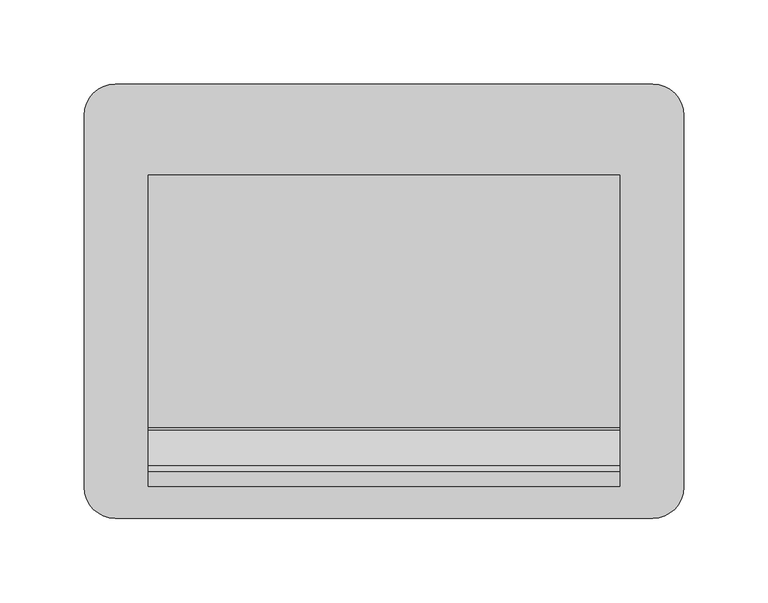
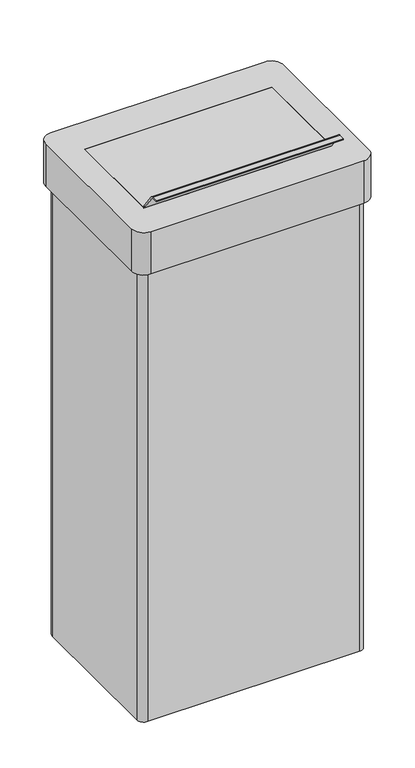
"""IFC4 building model written with IfcOpenShell, lengths in millimetres: furniture geometry."""

from ifc_helpers import new_model, si_unit, frame, origin, place, context, project, spatial, polyline, circle_curve, source, transform, mapped, element, save
from ifc_brep_helpers import plane_surface, cylinder_surface, revolved_surface, advanced_brep


def furniture_73cfb91b(model_context):
    return source(origin(), model_context, "Body", "AdvancedBrep", [
        advanced_brep(
        [(159.5, 129.0, 781.0), (-159.5, 129.0, 781.0), (-178.0, 110.5, 781.0), (-178.0, -110.5, 781.0), (-159.5, -129.0, 781.0), (159.5, -129.0, 781.0), (178.0, -110.5, 781.0), (178.0, 110.5, 781.0), (140.0, 75.0, 781.0), (140.0, -78.0583922, 781.0), (-140.0, -78.0583922, 781.0), (-140.0, 75.0, 781.0), (159.5, 110.5, 773.0), (159.5, -110.5, 773.0), (-159.5, -110.5, 773.0), (-159.5, 110.5, 773.0), (140.0, 75.0, 773.0), (-140.0, 75.0, 773.0), (-140.0, -78.0583922, 773.0), (140.0, -78.0583922, 773.0), (159.5, 129.0, 714.0), (178.0, 110.5, 714.0), (178.0, -110.5, 714.0), (159.5, -129.0, 714.0), (-159.5, -129.0, 714.0), (-178.0, -110.5, 714.0), (-178.0, 110.5, 714.0), (-159.5, 129.0, 714.0), (159.5, 110.5, 714.0), (-159.5, 110.5, 714.0), (-159.5, -110.5, 714.0), (159.5, -110.5, 714.0)],
        [
            (0, 1),
            (1, 2, circle_curve(frame((-159.5, 110.5, 781.0), z_axis=(0.0, 0.0, 1.0), x_axis=(1.0, 0.0, 0.0)), 18.5)),
            (2, 3),
            (3, 4, circle_curve(frame((-159.5, -110.5, 781.0), z_axis=(0.0, 0.0, 1.0), x_axis=(1.0, 0.0, 0.0)), 18.5)),
            (4, 5),
            (5, 6, circle_curve(frame((159.5, -110.5, 781.0), z_axis=(0.0, 0.0, 1.0), x_axis=(1.0, 0.0, 0.0)), 18.5)),
            (6, 7),
            (7, 0, circle_curve(frame((159.5, 110.5, 781.0), z_axis=(0.0, 0.0, 1.0), x_axis=(1.0, 0.0, 0.0)), 18.5)),
            (8, 9),
            (9, 10),
            (10, 11),
            (11, 8),
            (12, 13),
            (13, 14),
            (14, 15),
            (15, 12),
            (16, 17),
            (17, 18),
            (18, 19),
            (19, 16),
            (20, 21, circle_curve(frame((159.5, 110.5, 714.0), z_axis=(0.0, 0.0, -1.0), x_axis=(1.0, 0.0, 0.0)), 18.5)),
            (21, 22),
            (22, 23, circle_curve(frame((159.5, -110.5, 714.0), z_axis=(0.0, 0.0, -1.0), x_axis=(1.0, 0.0, 0.0)), 18.5)),
            (23, 24),
            (24, 25, circle_curve(frame((-159.5, -110.5, 714.0), z_axis=(0.0, 0.0, -1.0), x_axis=(1.0, 0.0, 0.0)), 18.5)),
            (25, 26),
            (26, 27, circle_curve(frame((-159.5, 110.5, 714.0), z_axis=(0.0, 0.0, -1.0), x_axis=(1.0, 0.0, 0.0)), 18.5)),
            (27, 20),
            (28, 29),
            (29, 30),
            (30, 31),
            (31, 28),
            (0, 20),
            (27, 1),
            (26, 2),
            (25, 3),
            (24, 4),
            (23, 5),
            (22, 6),
            (21, 7),
            (31, 13),
            (12, 28),
            (30, 14),
            (29, 15),
            (11, 17),
            (16, 8),
            (10, 18),
            (9, 19),
        ],
        [
            plane_surface(frame((-159.5, 110.5, 781.0), z_axis=(0.0, 0.0, 1.0), x_axis=(-1.0, 0.0, 0.0))),
            plane_surface(frame((-159.5, 110.5, 773.0), z_axis=(0.0, 0.0, -1.0), x_axis=(1.0, 0.0, 0.0))),
            plane_surface(frame((-159.5, 129.0, 714.0), z_axis=(0.0, 0.0, -1.0), x_axis=(1.0, 0.0, 0.0))),
            plane_surface(frame((159.5, 129.0, 781.0), z_axis=(0.0, 1.0, 0.0), x_axis=(0.0, 0.0, -1.0))),
            cylinder_surface(frame((-159.5, 110.5, 714.0), z_axis=(0.0, 0.0, 1.0), x_axis=(1.0, 0.0, 0.0)), 18.5),
            plane_surface(frame((-178.0, 110.5, 781.0), z_axis=(-1.0, 0.0, 0.0), x_axis=(0.0, 0.0, -1.0))),
            cylinder_surface(frame((-159.5, -110.5, 714.0), z_axis=(0.0, 0.0, 1.0), x_axis=(1.0, 0.0, 0.0)), 18.5),
            plane_surface(frame((-159.5, -129.0, 781.0), z_axis=(0.0, -1.0, 0.0), x_axis=(0.0, 0.0, -1.0))),
            cylinder_surface(frame((159.5, -110.5, 714.0), z_axis=(0.0, 0.0, 1.0), x_axis=(1.0, 0.0, 0.0)), 18.5),
            plane_surface(frame((178.0, -110.5, 781.0), z_axis=(1.0, 0.0, 0.0), x_axis=(0.0, 0.0, -1.0))),
            cylinder_surface(frame((159.5, 110.5, 714.0), z_axis=(0.0, 0.0, 1.0), x_axis=(1.0, 0.0, 0.0)), 18.5),
            plane_surface(frame((159.5, 110.5, 781.0), z_axis=(-1.0, 0.0, 0.0), x_axis=(0.0, 0.0, -1.0))),
            plane_surface(frame((159.5, -110.5, 781.0), z_axis=(0.0, 1.0, 0.0), x_axis=(0.0, 0.0, -1.0))),
            plane_surface(frame((-159.5, -110.5, 781.0), z_axis=(1.0, 0.0, 0.0), x_axis=(0.0, 0.0, -1.0))),
            plane_surface(frame((-159.5, 110.5, 781.0), z_axis=(0.0, -1.0, 0.0), x_axis=(0.0, 0.0, -1.0))),
            plane_surface(frame((-140.0, 75.0, 781.0), z_axis=(0.0, -1.0, 0.0), x_axis=(0.0, 0.0, -1.0))),
            plane_surface(frame((-140.0, -78.0583922, 781.0), z_axis=(1.0, 0.0, 0.0), x_axis=(0.0, 0.0, -1.0))),
            plane_surface(frame((140.0, -78.0583922, 781.0), z_axis=(0.0, 1.0, 0.0), x_axis=(0.0, 0.0, -1.0))),
            plane_surface(frame((140.0, 75.0, 781.0), z_axis=(-1.0, 0.0, 0.0), x_axis=(0.0, 0.0, -1.0))),
        ],
        [
            (0, [[1, 2, 3, 4, 5, 6, 7, 8], [9, 10, 11, 12]]),
            (1, [[13, 14, 15, 16], [17, 18, 19, 20]]),
            (2, [[21, 22, 23, 24, 25, 26, 27, 28], [29, 30, 31, 32]]),
            (3, [[-1, 33, -28, 34]]),
            (4, [[-2, -34, -27, 35]]),
            (5, [[-3, -35, -26, 36]]),
            (6, [[-4, -36, -25, 37]]),
            (7, [[-5, -37, -24, 38]]),
            (8, [[-6, -38, -23, 39]]),
            (9, [[-7, -39, -22, 40]]),
            (10, [[-8, -40, -21, -33]]),
            (11, [[-32, 41, -13, 42]]),
            (12, [[-31, 43, -14, -41]]),
            (13, [[-30, 44, -15, -43]]),
            (14, [[-29, -42, -16, -44]]),
            (15, [[-12, 45, -17, 46]]),
            (16, [[-11, 47, -18, -45]]),
            (17, [[-10, 48, -19, -47]]),
            (18, [[-9, -46, -20, -48]]),
        ],
    ),
        advanced_brep(
        [(159.5, -110.5, 8.0), (159.5, 110.5, 8.0), (-159.5, 110.5, 8.0), (-159.5, -110.5, 8.0), (158.25, 119.75, 0.0), (168.75, 109.25, 0.0), (168.75, -109.25, 0.0), (158.25, -119.75, 0.0), (-158.25, -119.75, 0.0), (-168.75, -109.25, 0.0), (-168.75, 109.25, 0.0), (-158.25, 119.75, 0.0), (158.25, 119.75, 714.0), (-158.25, 119.75, 714.0), (-168.75, 109.25, 714.0), (-168.75, -109.25, 714.0), (-158.25, -119.75, 714.0), (158.25, -119.75, 714.0), (168.75, -109.25, 714.0), (168.75, 109.25, 714.0), (159.5, 110.5, 714.0), (159.5, -110.5, 714.0), (-159.5, -110.5, 714.0), (-159.5, 110.5, 714.0)],
        [
            (0, 1),
            (1, 2),
            (2, 3),
            (3, 0),
            (4, 5, circle_curve(frame((158.25, 109.25, 0.0), z_axis=(0.0, 0.0, -1.0), x_axis=(1.0, 0.0, 0.0)), 10.5)),
            (5, 6),
            (6, 7, circle_curve(frame((158.25, -109.25, 0.0), z_axis=(0.0, 0.0, -1.0), x_axis=(1.0, 0.0, 0.0)), 10.5)),
            (7, 8),
            (8, 9, circle_curve(frame((-158.25, -109.25, 0.0), z_axis=(0.0, 0.0, -1.0), x_axis=(1.0, 0.0, 0.0)), 10.5)),
            (9, 10),
            (10, 11, circle_curve(frame((-158.25, 109.25, 0.0), z_axis=(0.0, 0.0, -1.0), x_axis=(1.0, 0.0, 0.0)), 10.5)),
            (11, 4),
            (12, 13),
            (13, 14, circle_curve(frame((-158.25, 109.25, 714.0), z_axis=(0.0, 0.0, 1.0), x_axis=(1.0, 0.0, 0.0)), 10.5)),
            (14, 15),
            (15, 16, circle_curve(frame((-158.25, -109.25, 714.0), z_axis=(0.0, 0.0, 1.0), x_axis=(1.0, 0.0, 0.0)), 10.5)),
            (16, 17),
            (17, 18, circle_curve(frame((158.25, -109.25, 714.0), z_axis=(0.0, 0.0, 1.0), x_axis=(1.0, 0.0, 0.0)), 10.5)),
            (18, 19),
            (19, 12, circle_curve(frame((158.25, 109.25, 714.0), z_axis=(0.0, 0.0, 1.0), x_axis=(1.0, 0.0, 0.0)), 10.5)),
            (20, 21),
            (21, 22),
            (22, 23),
            (23, 20),
            (20, 1),
            (0, 21),
            (3, 22),
            (2, 23),
            (12, 4),
            (11, 13),
            (10, 14),
            (9, 15),
            (8, 16),
            (7, 17),
            (6, 18),
            (5, 19),
        ],
        [
            plane_surface(frame((-159.5, 110.5, 8.0), z_axis=(0.0, 0.0, 1.0), x_axis=(-1.0, 0.0, 0.0))),
            plane_surface(frame((-159.5, 110.5, 0.0), z_axis=(0.0, 0.0, -1.0), x_axis=(1.0, 0.0, 0.0))),
            plane_surface(frame((159.5, 110.5, 714.0), z_axis=(0.0, 0.0, 1.0), x_axis=(0.0, -1.0, 0.0))),
            plane_surface(frame((159.5, 110.5, 714.0), z_axis=(-1.0, 0.0, 0.0), x_axis=(0.0, 0.0, -1.0))),
            plane_surface(frame((159.5, -110.5, 714.0), z_axis=(0.0, 1.0, 0.0), x_axis=(0.0, 0.0, -1.0))),
            plane_surface(frame((-159.5, -110.5, 714.0), z_axis=(1.0, 0.0, 0.0), x_axis=(0.0, 0.0, -1.0))),
            plane_surface(frame((-159.5, 110.5, 714.0), z_axis=(0.0, -1.0, 0.0), x_axis=(0.0, 0.0, -1.0))),
            plane_surface(frame((158.25, 119.75, 714.0), z_axis=(0.0, 1.0, 0.0), x_axis=(0.0, 0.0, -1.0))),
            cylinder_surface(frame((-158.25, 109.25, 0.0), z_axis=(0.0, 0.0, 1.0), x_axis=(1.0, 0.0, 0.0)), 10.5),
            plane_surface(frame((-168.75, 109.25, 714.0), z_axis=(-1.0, 0.0, 0.0), x_axis=(0.0, 0.0, -1.0))),
            cylinder_surface(frame((-158.25, -109.25, 0.0), z_axis=(0.0, 0.0, 1.0), x_axis=(1.0, 0.0, 0.0)), 10.5),
            plane_surface(frame((-158.25, -119.75, 714.0), z_axis=(0.0, -1.0, 0.0), x_axis=(0.0, 0.0, -1.0))),
            cylinder_surface(frame((158.25, -109.25, 0.0), z_axis=(0.0, 0.0, 1.0), x_axis=(1.0, 0.0, 0.0)), 10.5),
            plane_surface(frame((168.75, -109.25, 714.0), z_axis=(1.0, 0.0, 0.0), x_axis=(0.0, 0.0, -1.0))),
            cylinder_surface(frame((158.25, 109.25, 0.0), z_axis=(0.0, 0.0, 1.0), x_axis=(1.0, 0.0, 0.0)), 10.5),
        ],
        [
            (0, [[1, 2, 3, 4]]),
            (1, [[5, 6, 7, 8, 9, 10, 11, 12]]),
            (2, [[13, 14, 15, 16, 17, 18, 19, 20], [21, 22, 23, 24]]),
            (3, [[-21, 25, -1, 26]]),
            (4, [[-22, -26, -4, 27]]),
            (5, [[-23, -27, -3, 28]]),
            (6, [[-24, -28, -2, -25]]),
            (7, [[-13, 29, -12, 30]]),
            (8, [[-14, -30, -11, 31]]),
            (9, [[-15, -31, -10, 32]]),
            (10, [[-16, -32, -9, 33]]),
            (11, [[-17, -33, -8, 34]]),
            (12, [[-18, -34, -7, 35]]),
            (13, [[-19, -35, -6, 36]]),
            (14, [[-20, -36, -5, -29]]),
        ],
    ),
        advanced_brep(
        [(140.0, -74.955648, 781.0), (140.0, -76.7205097, 781.8865073), (140.0, -97.5687013, 809.8989761), (140.0, -101.0333202, 811.639288), (140.0, -110.0, 811.639288), (140.0, -110.0, 809.476851), (140.0, -100.8638406, 809.4732053), (140.0, -99.3010108, 808.6097103), (140.0, -78.0583922, 780.1055379), (140.0, -75.0, 778.8405759), (140.0, 75.0, 778.8405759), (140.0, 75.0, 781.0), (-140.0, -74.955648, 781.0), (-140.0, 75.0, 781.0), (-140.0, 75.0, 778.8405759), (-140.0, -75.0, 778.8405759), (-140.0, -78.0583922, 780.1055379), (-140.0, -99.2826839, 808.62335), (-140.0, -100.8638406, 809.4732053), (-140.0, -110.0, 809.476851), (-140.0, -110.0, 811.639288), (-140.0, -101.0333202, 811.639288), (-140.0, -97.5687013, 809.8989761), (-140.0, -76.7205097, 781.8865073)],
        [
            (0, 1, circle_curve(frame((140.0, -74.955648, 783.2), z_axis=(-1.0, 0.0, 0.0), x_axis=(0.0, 1.0, 0.0)), 2.2)),
            (1, 2),
            (2, 3, circle_curve(frame((140.0, -101.0333202, 807.3204444), z_axis=(1.0, 0.0, 0.0), x_axis=(0.0, 1.0, 0.0)), 4.3188436)),
            (3, 4),
            (4, 5),
            (5, 6),
            (6, 7, circle_curve(frame((140.0, -101.0333202, 807.3204444), z_axis=(-1.0, 0.0, 0.0), x_axis=(0.0, 1.0, 0.0)), 2.1594218)),
            (7, 8),
            (8, 9, circle_curve(frame((140.0, -75.0, 783.1703073), z_axis=(1.0, 0.0, 0.0), x_axis=(0.0, 1.0, 0.0)), 4.3297315)),
            (9, 10),
            (10, 11),
            (11, 0),
            (12, 13),
            (13, 14),
            (14, 15),
            (15, 16, circle_curve(frame((-140.0, -75.0, 783.1703073), z_axis=(-1.0, 0.0, 0.0), x_axis=(0.0, 1.0, 0.0)), 4.3297315)),
            (16, 17),
            (17, 18, circle_curve(frame((-140.0, -101.0333202, 807.3204444), z_axis=(1.0, 0.0, 0.0), x_axis=(0.0, 1.0, 0.0)), 2.1594218)),
            (18, 19),
            (19, 20),
            (20, 21),
            (21, 22, circle_curve(frame((-140.0, -101.0333202, 807.3204444), z_axis=(-1.0, 0.0, 0.0), x_axis=(0.0, 1.0, 0.0)), 4.3188436)),
            (22, 23),
            (23, 12, circle_curve(frame((-140.0, -74.955648, 783.2), z_axis=(1.0, 0.0, 0.0), x_axis=(0.0, 1.0, 0.0)), 2.2)),
            (1, 23),
            (22, 2),
            (21, 3),
            (20, 4),
            (19, 5),
            (18, 6),
            (17, 7),
            (16, 8),
            (15, 9),
            (14, 10),
            (13, 11),
            (12, 0),
        ],
        [
            plane_surface(frame((140.0, -72.755648, 783.2), z_axis=(1.0, 0.0, 0.0), x_axis=(0.0, 0.0, -1.0))),
            plane_surface(frame((-140.0, -72.755648, 783.2), z_axis=(-1.0, 0.0, 0.0), x_axis=(0.0, 0.0, 1.0))),
            plane_surface(frame((140.0, -76.7205097, 781.8865073), z_axis=(0.0, 0.8022098610002112, 0.5970421584059388), x_axis=(-1.0, 0.0, 0.0))),
            cylinder_surface(frame((-140.0, -101.0333202, 807.3204444), z_axis=(1.0, 0.0, 0.0), x_axis=(0.0, 1.0, 0.0)), 4.3188436),
            plane_surface(frame((140.0, -101.0333202, 811.639288), z_axis=(0.0, 0.0, 1.0), x_axis=(-1.0, 0.0, 0.0))),
            plane_surface(frame((140.0, -110.0, 811.639288), z_axis=(0.0, -1.0, 0.0), x_axis=(-1.0, 0.0, 0.0))),
            plane_surface(frame((140.0, -110.0, 809.476851), z_axis=(0.0, -0.0003990411336995562, -0.9999999203830837), x_axis=(-1.0, 0.0, 0.0))),
            revolved_surface(polyline([(-140.0, -98.8738984, 807.3204444), (140.0, -98.8738984, 807.3204444)]), (-140.0, -101.0333202, 807.3204444), (-1.0, 0.0, 0.0)),
            plane_surface(frame((140.0, -99.2826839, 808.62335), z_axis=(0.0, -0.8022098610001317, -0.5970421584060455), x_axis=(-1.0, 0.0, 0.0))),
            cylinder_surface(frame((-140.0, -75.0, 783.1703073), z_axis=(1.0, 0.0, 0.0), x_axis=(0.0, 1.0, 0.0)), 4.3297315),
            plane_surface(frame((140.0, -75.0, 778.8405759), z_axis=(0.0, 0.0, -1.0), x_axis=(-1.0, 0.0, 0.0))),
            plane_surface(frame((140.0, 75.0, 778.8405759), z_axis=(0.0, 1.0, 0.0), x_axis=(-1.0, 0.0, 0.0))),
            plane_surface(frame((140.0, 75.0, 781.0), z_axis=(0.0, 0.0, 1.0), x_axis=(-1.0, 0.0, 0.0))),
            revolved_surface(polyline([(-140.0, -72.755648, 783.2), (140.0, -72.755648, 783.2)]), (-140.0, -74.955648, 783.2), (-1.0, 0.0, 0.0)),
        ],
        [
            (0, [[1, 2, 3, 4, 5, 6, 7, 8, 9, 10, 11, 12]]),
            (1, [[13, 14, 15, 16, 17, 18, 19, 20, 21, 22, 23, 24]]),
            (2, [[-2, 25, -23, 26]]),
            (3, [[-3, -26, -22, 27]]),
            (4, [[-4, -27, -21, 28]]),
            (5, [[-5, -28, -20, 29]]),
            (6, [[-6, -29, -19, 30]]),
            (7, [[-7, -30, -18, 31]]),
            (8, [[-8, -31, -17, 32]]),
            (9, [[-9, -32, -16, 33]]),
            (10, [[-10, -33, -15, 34]]),
            (11, [[-11, -34, -14, 35]]),
            (12, [[-12, -35, -13, 36]]),
            (13, [[-1, -36, -24, -25]]),
        ],
    ),
    ])


if __name__ == "__main__":
    model = new_model("IFC4")
    model_context = context("Model", 3, world=origin())
    ifc_project = project(units=[si_unit("LENGTHUNIT", "METRE", prefix="MILLI")], contexts=[model_context])
    site = spatial("IfcSite", under=ifc_project)
    building = spatial("IfcBuilding", under=site)
    placement = place(None, origin())
    furniture_shape = furniture_73cfb91b(model_context)
    element("IfcFurniture", 1, at=placement, inside=building, context=model_context, shape_type="MappedRepresentation", body=[
        mapped(furniture_shape, transform((0.0, 0.0, 0.0), x_axis=(1.0, 0.0, 0.0), y_axis=(0.0, 1.0, 0.0), z_axis=(0.0, 0.0, 1.0))),
    ])
    save(model, "model.ifc")
